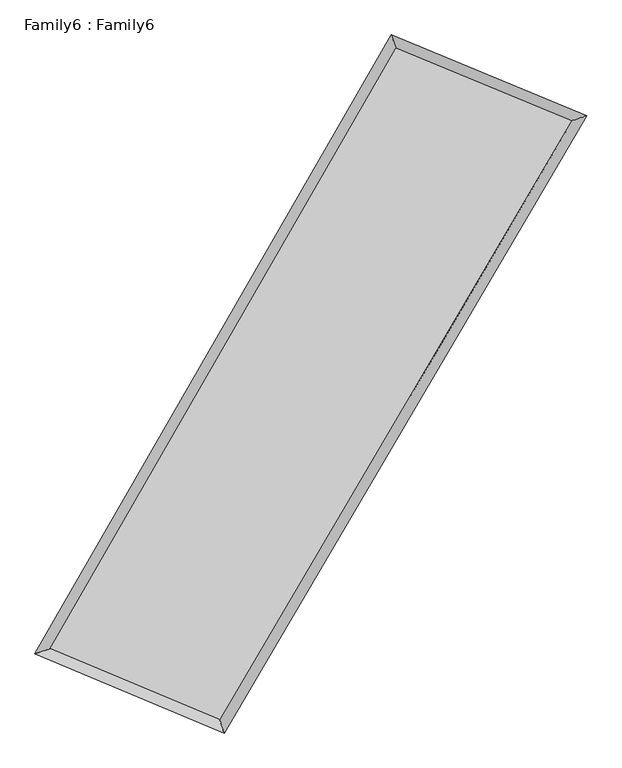
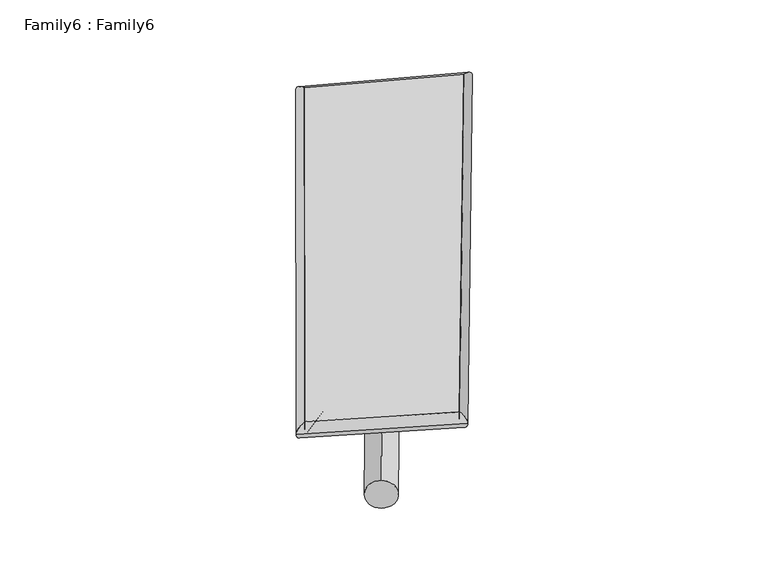
"""IFC4 building model written with IfcOpenShell, lengths in millimetres: plate geometry, Family6 : Family6."""

import ifcopenshell
import ifcopenshell.guid

model = None  # the IFC model being written
_history = None  # IfcOwnerHistory: only IFC2X3 demands one
_inside = {}  # id of a spatial element -> (the spatial element, [elements in it])
_under = {}  # id of a project, library or spatial element -> (it, [spatial elements below it])
_declared = {}  # id of a project -> (the project, [libraries it declares])
_typed = {}  # id of a type object -> (the type object, [elements of that type])
_made_of = {}  # id of a material, layer set ... -> (it, [elements and type objects made of it])


def new_model(schema):
    """Start an empty IFC model of exactly this schema.

    Asked for "IFC4X3", IfcOpenShell would pick the latest addendum, in which some entities
    have other attributes; the version numbers below select the first issue.
    IFC2X3 requires an IfcOwnerHistory on every rooted entity: one is made here for all.
    """
    global model, _history
    if schema == "IFC4X3":
        model = ifcopenshell.file(schema_version=(4, 3, 0, 0))
    else:
        model = ifcopenshell.file(schema=schema)
    _inside.clear()
    _under.clear()
    _declared.clear()
    _typed.clear()
    _made_of.clear()
    _history = None
    if model.schema == "IFC2X3":
        org = make("IfcOrganization", Name="unknown")
        user = make(
            "IfcPersonAndOrganization",
            ThePerson=make("IfcPerson", FamilyName="unknown"),
            TheOrganization=org,
        )
        app = make(
            "IfcApplication",
            ApplicationDeveloper=org,
            Version="unknown",
            ApplicationFullName="unknown",
            ApplicationIdentifier="unknown",
        )
        _history = make(
            "IfcOwnerHistory",
            OwningUser=user,
            OwningApplication=app,
            ChangeAction="ADDED",
            CreationDate=0,
        )
    return model


def make(cls, **values):
    """One entity of the class cls with the attributes given. An attribute that is None is left unset."""
    return model.create_entity(
        cls, **{name: value for name, value in values.items() if value is not None}
    )


def rooted(cls, **values):
    """An entity with a GlobalId (a new one), such as an element, a storey or a relation."""
    return make(cls, GlobalId=ifcopenshell.guid.new(), OwnerHistory=_history, **values)


def si_unit(unit_type, name, prefix=None):
    """IfcSIUnit, for example si_unit("LENGTHUNIT", "METRE", prefix="MILLI")."""
    return make("IfcSIUnit", UnitType=unit_type, Prefix=prefix, Name=name)


def assignment(units):
    """IfcUnitAssignment: the units of a project."""
    return None if units is None else make("IfcUnitAssignment", Units=units)


def point(xyz):
    """IfcCartesianPoint."""
    return None if xyz is None else make("IfcCartesianPoint", Coordinates=xyz)


def direction(xyz):
    """IfcDirection."""
    return None if xyz is None else make("IfcDirection", DirectionRatios=xyz)


def frame(location, z_axis=None, x_axis=None):
    """IfcAxis2Placement3D, a coordinate frame: its origin and axes. An axis left out is left unset."""
    return make(
        "IfcAxis2Placement3D",
        Location=point(location),
        Axis=direction(z_axis),
        RefDirection=direction(x_axis),
    )


def frame_2d(location, x_axis=None):
    """IfcAxis2Placement2D, a coordinate frame in the plane: its origin and x axis."""
    return make(
        "IfcAxis2Placement2D", Location=point(location), RefDirection=direction(x_axis)
    )


def origin():
    """The frame at (0, 0, 0) with its axes left unset."""
    return frame((0.0, 0.0, 0.0))


def origin_2d():
    """The frame at (0, 0) in the plane with its x axis left unset."""
    return frame_2d((0.0, 0.0))


def place(relative_to, where):
    """IfcLocalPlacement: puts the frame where relative to a parent placement (None: the world)."""
    return make(
        "IfcLocalPlacement", PlacementRelTo=relative_to, RelativePlacement=where
    )


def context(
    kind, dimensions, precision=None, world=None, true_north=None, identifier=None
):
    """IfcGeometricRepresentationContext, for example the 3D "Model" context."""
    return make(
        "IfcGeometricRepresentationContext",
        ContextIdentifier=identifier,
        ContextType=kind,
        CoordinateSpaceDimension=dimensions,
        Precision=precision,
        WorldCoordinateSystem=world,
        TrueNorth=true_north,
    )


def project(units=None, contexts=None):
    """IfcProject with its units and contexts."""
    return rooted(
        "IfcProject",
        Name="project",
        RepresentationContexts=contexts,
        UnitsInContext=assignment(units),
    )


def spatial(cls, under=None, at=None, **own):
    """A site, building, storey or space (cls), placed at a placement, below another one or the project."""
    s = rooted(cls, ObjectPlacement=at, **own)
    if under is not None:
        _under.setdefault(under.id(), (under, []))[1].append(s)
    return s


def circle_curve(where, radius):
    """IfcCircle in the frame where."""
    return make("IfcCircle", Position=where, Radius=radius)


def ellipse_curve(where, semi_axis1, semi_axis2):
    """IfcEllipse in the frame where."""
    return make(
        "IfcEllipse", Position=where, SemiAxis1=semi_axis1, SemiAxis2=semi_axis2
    )


def trimmed(basis, trim1, trim2, sense, master):
    """IfcTrimmedCurve: the piece of a basis curve between two trims."""
    return make(
        "IfcTrimmedCurve",
        BasisCurve=basis,
        Trim1=trim1,
        Trim2=trim2,
        SenseAgreement=sense,
        MasterRepresentation=master,
    )


def segment(curve, same_sense, transition):
    """IfcCompositeCurveSegment."""
    return make(
        "IfcCompositeCurveSegment",
        Transition=transition,
        SameSense=same_sense,
        ParentCurve=curve,
    )


def composite_curve(segments, self_intersect=None):
    """IfcCompositeCurve: segments joined end to end."""
    return make("IfcCompositeCurve", Segments=segments, SelfIntersect=self_intersect)


def outline(outer, holes=None, kind="AREA"):
    """IfcArbitraryClosedProfileDef: a profile drawn as a closed curve; with holes, ...WithVoids."""
    if holes is None:
        return make("IfcArbitraryClosedProfileDef", ProfileType=kind, OuterCurve=outer)
    return make(
        "IfcArbitraryProfileDefWithVoids",
        ProfileType=kind,
        OuterCurve=outer,
        InnerCurves=holes,
    )


def extrude(swept, where, along, depth):
    """IfcExtrudedAreaSolid: the profile swept, set in the frame where, extruded along a direction by depth."""
    return make(
        "IfcExtrudedAreaSolid",
        SweptArea=swept,
        Position=where,
        ExtrudedDirection=direction(along),
        Depth=depth,
    )


def shape(context_of_items, identifier, shape_type, items):
    """IfcShapeRepresentation: the items that make up one representation, for example the "Body"."""
    return make(
        "IfcShapeRepresentation",
        ContextOfItems=context_of_items,
        RepresentationIdentifier=identifier,
        RepresentationType=shape_type,
        Items=items,
    )


def source(mapping_origin, context_of_items, identifier, shape_type, items):
    """IfcRepresentationMap: a shape defined once, which mapped items show again and again."""
    return make(
        "IfcRepresentationMap",
        MappingOrigin=mapping_origin,
        MappedRepresentation=shape(context_of_items, identifier, shape_type, items),
    )


def transform(
    local_origin,
    x_axis=None,
    y_axis=None,
    z_axis=None,
    scale=None,
    scale2=None,
    scale3=None,
    uniform=True,
):
    """IfcCartesianTransformationOperator3D, or its non-uniform kind. x_axis, y_axis, z_axis: its Axis1, 2, 3."""
    if uniform:
        return make(
            "IfcCartesianTransformationOperator3D",
            Axis1=direction(x_axis),
            Axis2=direction(y_axis),
            LocalOrigin=point(local_origin),
            Scale=scale,
            Axis3=direction(z_axis),
        )
    return make(
        "IfcCartesianTransformationOperator3DnonUniform",
        Axis1=direction(x_axis),
        Axis2=direction(y_axis),
        LocalOrigin=point(local_origin),
        Scale=scale,
        Axis3=direction(z_axis),
        Scale2=scale2,
        Scale3=scale3,
    )


def mapped(mapping_source, mapping_target):
    """IfcMappedItem: shows the shape of a source again, moved by a transform."""
    return make(
        "IfcMappedItem", MappingSource=mapping_source, MappingTarget=mapping_target
    )


def made_of(thing, what):
    """Note that an element or type object is made of a material, layer set ...; save() writes the relation."""
    if what is not None:
        _made_of.setdefault(what.id(), (what, []))[1].append(thing)
    return thing


def element(
    cls,
    number,
    at=None,
    inside=None,
    cuts=None,
    type_object=None,
    material=None,
    context=None,
    identifier="Body",
    shape_type=None,
    held_by="IfcProductDefinitionShape",
    body=None,
    shapes=None,
    **own,
):
    """One element of the class cls, such as IfcWall. Its Tag is "e" and its number.

    at: its placement. inside: the storey or other place that contains it. cuts: it is an
    opening in that element (IfcRelVoidsElement). A single representation is given by context,
    identifier, shape_type and body (its items); several are given by shapes. held_by: the class
    of the entity that holds the representations. save() writes the other relations.
    """
    e = rooted(cls, Tag="e%d" % number, ObjectPlacement=at, **own)
    if body is not None:
        shapes = [shape(context, identifier, shape_type, body)]
    if shapes is not None:
        e.Representation = make(held_by, Representations=shapes)
    if inside is not None:
        _inside.setdefault(inside.id(), (inside, []))[1].append(e)
    if cuts is not None:
        rooted(
            "IfcRelVoidsElement", RelatingBuildingElement=cuts, RelatedOpeningElement=e
        )
    if type_object is not None:
        _typed.setdefault(type_object.id(), (type_object, []))[1].append(e)
    return made_of(e, material)


def aggregate(whole, parts):
    """IfcRelAggregates: a whole, such as a stair, and the parts it consists of."""
    return rooted("IfcRelAggregates", RelatingObject=whole, RelatedObjects=parts)


def save(model, path):
    """Write the relations noted so far, then the file.

    IfcRelAggregates (storeys below a building ...), IfcRelContainedInSpatialStructure (elements
    in a storey), IfcRelDefinesByType, IfcRelAssociatesMaterial and IfcRelDeclares: one each for
    every whole, place, type object, material and project.
    """
    for whole, parts in _under.values():
        aggregate(whole, parts)
    for where, things in _inside.values():
        rooted(
            "IfcRelContainedInSpatialStructure",
            RelatedElements=things,
            RelatingStructure=where,
        )
    for kind, things in _typed.values():
        rooted("IfcRelDefinesByType", RelatedObjects=things, RelatingType=kind)
    for what, things in _made_of.values():
        rooted("IfcRelAssociatesMaterial", RelatedObjects=things, RelatingMaterial=what)
    for by, libraries in _declared.values():
        rooted("IfcRelDeclares", RelatingContext=by, RelatedDefinitions=libraries)
    model.write(path)


def plane_surface(at):
    """IfcPlane: the flat surface through the origin of the frame at, square to its z axis."""
    return make("IfcPlane", Position=at)


def cylinder_surface(at, radius):
    """IfcCylindricalSurface: all points at the distance radius from the z axis of the frame at."""
    return make("IfcCylindricalSurface", Position=at, Radius=radius)


def spline_surface(u_degree, v_degree, points, u_multiplicities, v_multiplicities, u_knots, v_knots, weights=None):
    """IfcBSplineSurfaceWithKnots; with weights, IfcRationalBSplineSurfaceWithKnots. points: one row for each step in u."""
    own = dict(
        UDegree=u_degree,
        VDegree=v_degree,
        ControlPointsList=[[point(p) for p in row] for row in points],
        SurfaceForm="UNSPECIFIED",
        UClosed=False,
        VClosed=False,
        SelfIntersect=False,
        UMultiplicities=u_multiplicities,
        VMultiplicities=v_multiplicities,
        UKnots=u_knots,
        VKnots=v_knots,
        KnotSpec="UNSPECIFIED",
    )
    if weights is None:
        return make("IfcBSplineSurfaceWithKnots", **own)
    return make("IfcRationalBSplineSurfaceWithKnots", WeightsData=weights, **own)


def advanced_brep(points, edges, surfaces, faces):
    """IfcAdvancedBrep: a solid bounded by faces that lie on surfaces and meet in shared edges.

    An edge is (start, end): straight between two places in points (the first is 0);
    or (start, end, curve); or (start, end, curve, False) where it runs against its curve.
    A face is (place in surfaces, loops), or (place, loops, False) where it looks against
    its surface's normal. A loop lists edges by number (the first is 1), with a minus sign
    where the edge is run from its end to its start. The first loop is the outer one.
    """
    corners = [point(p) for p in points]
    vertices = [make("IfcVertexPoint", VertexGeometry=c) for c in corners]
    made = []
    for start, end, *more in edges:
        made.append(
            make(
                "IfcEdgeCurve",
                EdgeStart=vertices[start],
                EdgeEnd=vertices[end],
                EdgeGeometry=more[0] if more else make("IfcPolyline", Points=[corners[start], corners[end]]),
                SameSense=more[1] if len(more) > 1 else True,
            )
        )
    hull = []
    for where, loops, *sense in faces:
        bounds = []
        for j, loop in enumerate(loops):
            ring = [make("IfcOrientedEdge", EdgeElement=made[abs(k) - 1], Orientation=k > 0) for k in loop]
            bounds.append(
                make(
                    "IfcFaceOuterBound" if j == 0 else "IfcFaceBound",
                    Bound=make("IfcEdgeLoop", EdgeList=ring),
                    Orientation=True,
                )
            )
        hull.append(make("IfcAdvancedFace", Bounds=bounds, FaceSurface=surfaces[where], SameSense=sense[0] if sense else True))
    return make("IfcAdvancedBrep", Outer=make("IfcClosedShell", CfsFaces=hull))


def family6_family6_339c7140(model_context):
    return source(origin(), model_context, "Body", "SolidModel", [
        extrude(outline(composite_curve([segment(trimmed(circle_curve(origin_2d(), 76.2), [point((-75.4341514, -10.7763073))], [point((75.4341514, 10.7763073))], False, "CARTESIAN"), True, "CONTINUOUS"), segment(trimmed(circle_curve(origin_2d(), 76.2), [point((75.4341514, 10.7763073))], [point((-75.4341514, -10.7763073))], False, "CARTESIAN"), True, "CONTINUOUS")], self_intersect=False)), frame((9144.0, 9144.0, 0.0), z_axis=(0.6812134533007217, 0.683386328500277, 0.2625478186178985), x_axis=(-0.6747659610226947, 0.7252209823593025, -0.13691393132522214)), (0.0, 0.0, 1.0), 5852.8802942),
        extrude(outline(composite_curve([segment(trimmed(circle_curve(origin_2d(), 76.2), [point((-53.8815367, 53.8815367))], [point((53.8815367, -53.8815367))], False, "CARTESIAN"), True, "CONTINUOUS"), segment(trimmed(circle_curve(origin_2d(), 76.2), [point((53.8815367, -53.8815367))], [point((-53.8815367, 53.8815367))], False, "CARTESIAN"), True, "CONTINUOUS")], self_intersect=False)), frame((9144.0, 9144.0, 0.0), z_axis=(-0.6759713740811978, -0.6881495247296644, 0.2636530542912681), x_axis=(0.636083220695266, -0.3641941808091494, 0.6802651946224282)), (0.0, 0.0, 1.0), 5828.9818107),
        extrude(outline(composite_curve([segment(trimmed(circle_curve(origin_2d(), 76.2), [point((-53.8815367, -53.8815367))], [point((53.8815367, 53.8815367))], False, "CARTESIAN"), True, "CONTINUOUS"), segment(trimmed(circle_curve(origin_2d(), 76.2), [point((53.8815367, 53.8815367))], [point((-53.8815367, -53.8815367))], False, "CARTESIAN"), True, "CONTINUOUS")], self_intersect=False)), frame((9144.0, 9144.0, 0.0), z_axis=(0.23917657143229934, 0.9311359384915381, 0.2752824580814639), x_axis=(-0.846505148736657, 0.3388375505361349, -0.4106314010265196)), (0.0, 0.0, 1.0), 5484.0563275),
        extrude(outline(composite_curve([segment(trimmed(circle_curve(origin_2d(), 76.2), [point((-75.4341514, 10.7763073))], [point((75.4341514, -10.7763073))], False, "CARTESIAN"), True, "CONTINUOUS"), segment(trimmed(circle_curve(origin_2d(), 76.2), [point((75.4341514, -10.7763073))], [point((-75.4341514, 10.7763073))], False, "CARTESIAN"), True, "CONTINUOUS")], self_intersect=False)), frame((9144.0, 9144.0, 0.0), z_axis=(-0.2473103495534339, -0.9290145121504931, 0.2752628329752121), x_axis=(0.8861999826669879, -0.10200684438585557, 0.45193383854218144)), (0.0, 0.0, 1.0), 5482.7007671),
        advanced_brep(
        [(4985.4404174, 5059.0441049, 1535.0883756), (4985.4211309, 5059.0125542, 1539.3938095), (5422.1098945, 5206.5337697, 1538.56934), (10520.96102, 14058.4740235, 1512.1965143), (10390.3545599, 14442.329847, 1507.1324978), (5422.129181, 5206.5653204, 1534.2639061), (12910.9054036, 13069.9243528, 1536.3125105), (13351.2161904, 13217.632398, 1537.0093972), (7724.1266333, 4242.4938944, 1509.6386414), (7852.0160803, 3858.4889489, 1508.7288496)],
        [
            (0, 1, ellipse_curve(frame((5203.7751559, 5132.7889373, 1536.8288578), z_axis=(-0.3200346920403213, 0.9473898074129142, 0.00550896549072076), x_axis=(-0.9473569508179869, -0.3200718348105555, 0.008296282170397589)), 230.4963395, 152.4)),
            (1, 2, ellipse_curve(frame((5203.7751559, 5132.7889373, 1536.8288578), z_axis=(-0.3200346920403213, 0.9473898074129142, 0.00550896549072076), x_axis=(-0.9473569508179869, -0.3200718348105555, 0.008296282170397589)), 230.4963395, 152.4)),
            (2, 3),
            (3, 4, ellipse_curve(frame((10455.65779, 14250.4019352, 1509.6645061), z_axis=(-0.9466733878351541, -0.32216359486149715, -0.004484964952940563), x_axis=(0.32211539033973846, -0.9466573892864497, 0.009025664276988705)), 202.750156, 152.4)),
            (4, 0),
            (2, 5, ellipse_curve(frame((5203.7751559, 5132.7889373, 1536.8288578), z_axis=(-0.3200346920403213, 0.9473898074129142, 0.00550896549072076), x_axis=(-0.9473569508179869, -0.3200718348105555, 0.008296282170397589)), 230.4963395, 152.4)),
            (5, 0, ellipse_curve(frame((5203.7751559, 5132.7889373, 1536.8288578), z_axis=(-0.3200346920403213, 0.9473898074129142, 0.00550896549072076), x_axis=(-0.9473569508179869, -0.3200718348105555, 0.008296282170397589)), 230.4963395, 152.4)),
            (4, 3, ellipse_curve(frame((10455.65779, 14250.4019352, 1509.6645061), z_axis=(-0.9466733878351541, -0.32216359486149715, -0.004484964952940563), x_axis=(0.32211539033973846, -0.9466573892864497, 0.009025664276988705)), 202.750156, 152.4)),
            (3, 6),
            (6, 7, ellipse_curve(frame((13131.060797, 13143.7783754, 1536.6609539), z_axis=(-0.3180330446979023, 0.9480658097820581, -0.00511886730366489), x_axis=(-0.948035736271696, -0.31806563874740496, -0.00790520081898021)), 232.2194203, 152.4)),
            (7, 4),
            (7, 6, ellipse_curve(frame((13131.060797, 13143.7783754, 1536.6609539), z_axis=(-0.3180330446979023, 0.9480658097820581, -0.00511886730366489), x_axis=(-0.948035736271696, -0.31806563874740496, -0.00790520081898021)), 232.2194203, 152.4)),
            (6, 8),
            (8, 9, ellipse_curve(frame((7788.0713568, 4050.4914216, 1509.1837455), z_axis=(0.94875197965427, 0.3159848686564877, -0.004821190957184232), x_axis=(-0.31593099549592857, 0.948734831227507, 0.009477663249193538)), 202.375192, 152.4)),
            (9, 7),
            (9, 8, ellipse_curve(frame((7788.0713568, 4050.4914216, 1509.1837455), z_axis=(0.94875197965427, 0.3159848686564877, -0.004821190957184232), x_axis=(-0.31593099549592857, 0.948734831227507, 0.009477663249193538)), 202.375192, 152.4)),
            (8, 5),
            (1, 9),
        ],
        [
            cylinder_surface(frame((5203.7751559, 5132.7889373, 1536.8288578), z_axis=(-0.49913035742771816, -0.8665230645217017, 0.0025816556698052854), x_axis=(-0.8664552310451709, 0.49904853400925875, -0.014348982461123526)), 152.4),
            cylinder_surface(frame((10455.65779, 14250.4019352, 1509.6645061), z_axis=(-0.9240303164062489, 0.3822054903303171, -0.009324029361269052), x_axis=(0.3822811752249457, 0.9240075693512986, -0.008432962121321127)), 152.4),
            cylinder_surface(frame((13131.060797, 13143.7783754, 1536.6609539), z_axis=(0.5065954958829305, 0.8621799210240096, 0.0026052512663142847), x_axis=(0.8621835658566511, -0.5065954958829304, -0.0007087438449193233)), 152.4),
            cylinder_surface(frame((7788.0713568, 4050.4914216, 1509.1837455), z_axis=(0.9223326276351761, -0.3862708582635118, -0.009866511843691065), x_axis=(-0.3862322402119954, -0.9223843563741994, 0.005635222886214465)), 152.4),
        ],
        [
            (0, [[1, 2, 3, 4, 5]]),
            (0, [[6, 7, -5, 8, -3]]),
            (1, [[-4, 9, 10, 11]]),
            (1, [[-8, -11, 12, -9]]),
            (2, [[-10, 13, 14, 15]]),
            (2, [[-12, -15, 16, -13]]),
            (3, [[-14, 17, -6, -2, 18]]),
            (3, [[-16, -18, -1, -7, -17]]),
        ],
    ),
        extrude(outline(composite_curve([segment(trimmed(circle_curve(origin_2d(), 304.8), [point((0.0, 304.8))], [point((0.0, -304.8))], False, "CARTESIAN"), True, "CONTINUOUS"), segment(trimmed(circle_curve(origin_2d(), 304.8), [point((0.0, -304.8))], [point((0.0, 304.8))], False, "CARTESIAN"), True, "CONTINUOUS")], self_intersect=False)), frame((11814.8836944, 13711.9439437, -0.0090819), z_axis=(-0.5047519933868875, -0.8632644004990695, 1.716331302446144e-06), x_axis=(-0.8632644005006505, 0.5047519933868875, -4.6494831650836146e-07)), (0.0, 0.0, 1.0), 10582.954518),
        advanced_brep(
        [(5203.7751559, 5132.7889373, 1536.8288578), (7788.0713568, 4050.4914216, 1509.1837455), (7788.0649838, 4050.4922364, 1661.5837454), (5203.768783, 5132.7897521, 1689.2288577), (13131.060797, 13143.7783754, 1536.6609539), (13131.054424, 13143.7791902, 1689.0609537), (10455.65779, 14250.4019352, 1509.6645061), (10455.651417, 14250.4027501, 1662.064506)],
        [
            (0, 1),
            (1, 2),
            (2, 3),
            (3, 0),
            (1, 4),
            (4, 5),
            (5, 2),
            (4, 6),
            (6, 7),
            (7, 5),
            (6, 0),
            (3, 7),
        ],
        [
            plane_surface(frame((6495.9232564, 4591.6401795, 1523.0063016), z_axis=(-0.38628976310350827, -0.9223774817261645, -1.122205373909474e-05), x_axis=(0.922332627635176, -0.3862708582635119, -0.00986651184369106))),
            plane_surface(frame((10459.5660769, 8597.1348985, 1522.9223497), z_axis=(0.8621827951830439, -0.5065973017968058, 3.8762733811274026e-05), x_axis=(0.5065954958829303, 0.8621799210240094, 0.002605251266314291))),
            plane_surface(frame((11793.3592935, 13697.0901553, 1523.16273), z_axis=(0.38222201023935554, 0.9240705247797057, 1.104289923492801e-05), x_axis=(-0.9240303164062488, 0.3822054903303171, -0.009324029361269049))),
            plane_surface(frame((7829.7164729, 9691.5954363, 1523.2466819), z_axis=(-0.8665260016770042, 0.49913193336442546, -3.8904441026693876e-05), x_axis=(-0.499130357427718, -0.8665230645217017, 0.002581655669805288))),
            spline_surface(1, 1, [[(7788.0649838, 4050.4922364, 1661.5837454), (5203.768783, 5132.7897521, 1689.2288577)], [(13131.054424, 13143.7791902, 1689.0609537), (10455.651417, 14250.4027501, 1662.064506)]], [2, 2], [2, 2], [0.0, 1.0], [0.0, 1.0]),
            spline_surface(1, 1, [[(10455.65779, 14250.4019352, 1509.6645061), (5203.7751559, 5132.7889373, 1536.8288578)], [(13131.060797, 13143.7783754, 1536.6609539), (7788.0713568, 4050.4914216, 1509.1837455)]], [2, 2], [2, 2], [0.0, 1.0], [0.0, 1.0]),
        ],
        [
            (0, [[1, 2, 3, 4]]),
            (1, [[5, 6, 7, -2]]),
            (2, [[8, 9, 10, -6]]),
            (3, [[11, -4, 12, -9]]),
            (4, [[-3, -7, -10, -12]]),
            (5, [[-11, -8, -5, -1]]),
        ],
    ),
    ])


if __name__ == "__main__":
    model = new_model("IFC4")
    model_context = context("Model", 3, world=origin())
    ifc_project = project(units=[si_unit("LENGTHUNIT", "METRE", prefix="MILLI")], contexts=[model_context])
    site = spatial("IfcSite", under=ifc_project)
    building = spatial("IfcBuilding", under=site)
    placement = place(None, origin())
    family6_family6_shape = family6_family6_339c7140(model_context)
    element("IfcPlate", 1, ObjectType="Family6 : Family6", at=placement, inside=building, context=model_context, shape_type="MappedRepresentation", body=[
        mapped(family6_family6_shape, transform((0.0, 0.0, 0.0), x_axis=(1.0, 0.0, 0.0), y_axis=(0.0, 1.0, 0.0), z_axis=(0.0, 0.0, 1.0))),
    ])
    save(model, "model.ifc")
